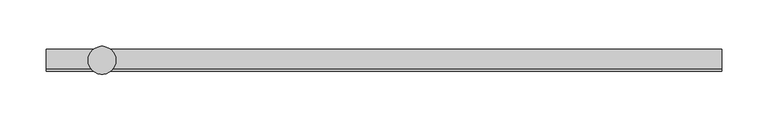
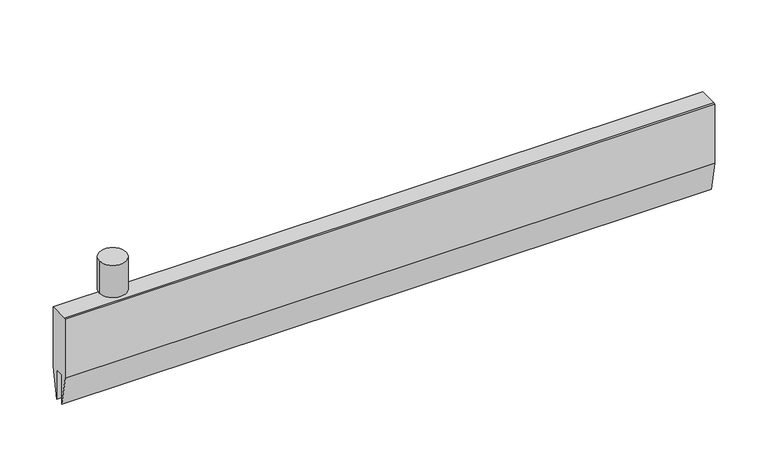
"""IFC4 building model written with IfcOpenShell, lengths in millimetres: proxy geometry."""

from ifc_helpers import new_model, si_unit, point, frame, origin, origin_2d, place, context, project, spatial, polyline, circle_curve, trimmed, segment, composite_curve, outline, extrude, source, transform, mapped, element, save


def specialty_equipment_b6fb76ba(model_context):
    return source(origin(), model_context, "Body", "SweptSolid", [
        extrude(outline(polyline([(12.0, 49.0), (12.0, -21.0), (5.0, -56.0), (5.0, -21.0), (-5.0, -21.0), (-5.0, -56.0), (-12.0, -21.0), (-12.0, 49.0), (-9.692747, 49.0), (12.0, 49.0)])), frame((-60.0, 0.0, 0.0), z_axis=(1.0, 0.0, 0.0), x_axis=(0.0, 1.0, 0.0)), (0.0, 0.0, 1.0), 727.9166667),
        extrude(outline(composite_curve([segment(trimmed(circle_curve(origin_2d(), 15.0), [point((-15.0, 0.0))], [point((15.0, 0.0))], False, "CARTESIAN"), True, "CONTINUOUS"), segment(trimmed(circle_curve(origin_2d(), 15.0), [point((15.0, 0.0))], [point((-15.0, 0.0))], False, "CARTESIAN"), True, "CONTINUOUS")], self_intersect=False)), frame((0.0, 0.0, 57.0), z_axis=(0.0, 0.0, 1.0), x_axis=(1.0, 0.0, 0.0)), (0.0, 0.0, 1.0), 38.0),
    ])


if __name__ == "__main__":
    model = new_model("IFC4")
    model_context = context("Model", 3, world=origin())
    ifc_project = project(units=[si_unit("LENGTHUNIT", "METRE", prefix="MILLI")], contexts=[model_context])
    site = spatial("IfcSite", under=ifc_project)
    building = spatial("IfcBuilding", under=site)
    placement = place(None, origin())
    specialty_equipment_shape = specialty_equipment_b6fb76ba(model_context)
    element("IfcBuildingElementProxy", 1, Name="Specialty Equipment", at=placement, inside=building, context=model_context, shape_type="MappedRepresentation", body=[
        mapped(specialty_equipment_shape, transform((0.0, 0.0, 0.0), x_axis=(1.0, 0.0, 0.0), y_axis=(0.0, 1.0, 0.0), z_axis=(0.0, 0.0, 1.0))),
    ])
    save(model, "model.ifc")
